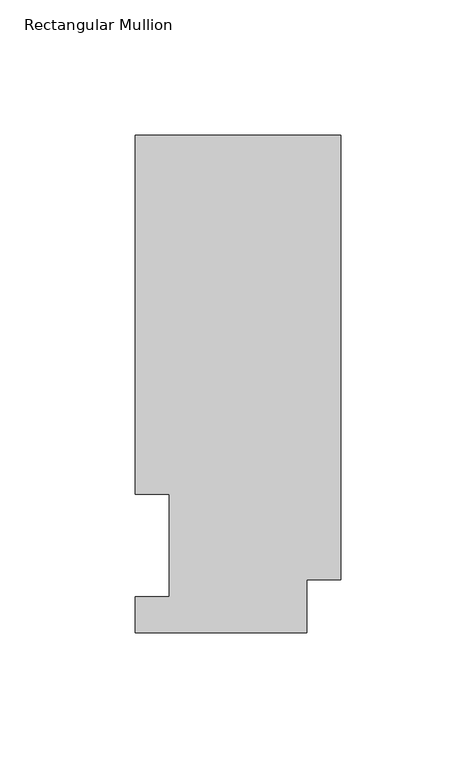
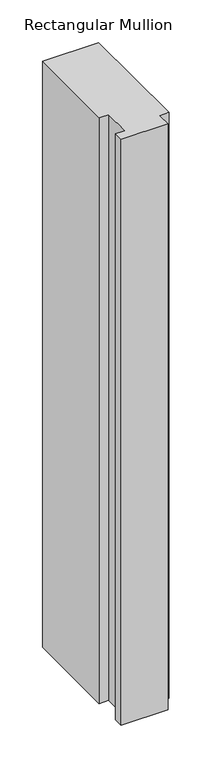
"""IFC4 building model written with IfcOpenShell, lengths in millimetres: member geometry, Rectangular Mullion."""

from ifc_helpers import new_model, si_unit, frame, origin, place, context, project, spatial, polyline, outline, extrude, source, transform, mapped, element, save


def rectangular_mullion_14dc57c8(model_context):
    return source(origin(), model_context, "Body", "SweptSolid", [
        extrude(outline(polyline([(-76.2, 0.0134938), (-76.2, 13.1960938), (-63.5, 13.1960938), (-63.5, 51.2960937), (-76.2, 51.2960937), (-76.2, 184.2396938), (0.0, 184.2396937), (0.0, 19.5460937), (-12.7, 19.5460937), (-12.7, 0.0134938), (-76.2, 0.0134938)])), frame((0.0, 0.0, -838.1999996), z_axis=(0.0, 0.0, 1.0), x_axis=(1.0, 0.0, 0.0)), (0.0, 0.0, 1.0), 838.1999996),
    ])


if __name__ == "__main__":
    model = new_model("IFC4")
    model_context = context("Model", 3, world=origin())
    ifc_project = project(units=[si_unit("LENGTHUNIT", "METRE", prefix="MILLI")], contexts=[model_context])
    site = spatial("IfcSite", under=ifc_project)
    building = spatial("IfcBuilding", under=site)
    placement = place(None, origin())
    rectangular_mullion_shape = rectangular_mullion_14dc57c8(model_context)
    element("IfcMember", 1, ObjectType="Rectangular Mullion", at=placement, inside=building, context=model_context, shape_type="MappedRepresentation", body=[
        mapped(rectangular_mullion_shape, transform((0.0, 0.0, 0.0), x_axis=(1.0, 0.0, 0.0), y_axis=(0.0, 1.0, 0.0), z_axis=(0.0, 0.0, 1.0))),
    ])
    save(model, "model.ifc")
